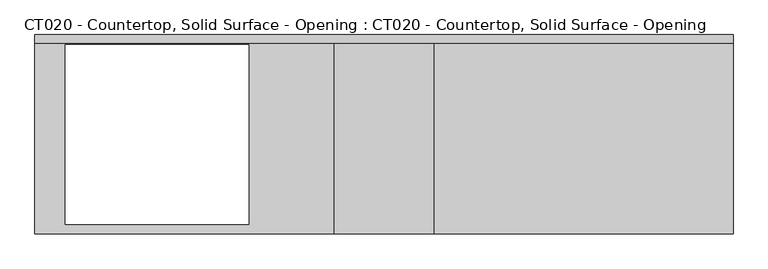
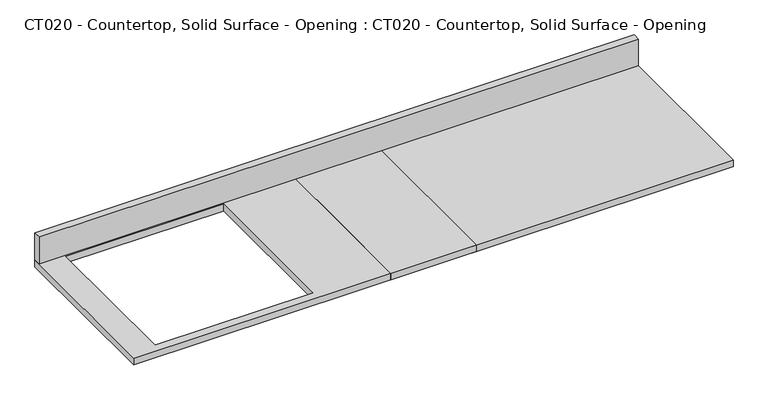
"""IFC4 building model written with IfcOpenShell, lengths in millimetres: proxy geometry, CT020 - Countertop, Solid Surface - Opening : CT020 - Countertop, Solid Surface - Opening."""

from ifc_helpers import new_model, si_unit, frame, origin, origin_with_axes, place, context, project, spatial, polyline, outline, extrude, source, transform, mapped, element, save


def ct020_countertop_solid_surface_opening_ct020_countertop_ae37859a(model_context):
    return source(origin(), model_context, "Body", "SweptSolid", [
        extrude(outline(polyline([(-152.4, 304.8), (152.4, 304.8), (152.4, -304.8), (-152.4, -304.8), (-152.4, 0.0), (-152.4, 304.8)])), origin_with_axes(), (0.0, 0.0, 1.0), 25.4),
        extrude(outline(polyline([(1066.8, 304.8), (1066.8, -304.8), (-1066.8, -304.8), (-1066.8, 304.8), (1066.8, 304.8)]), holes=[polyline([(-412.75, 274.6399688), (-973.9089659, 274.6399688), (-973.9089659, -275.6918839), (-412.75, -275.6918839), (-412.75, 274.6399688)])]), origin_with_axes(), (0.0, 0.0, 1.0), 25.4),
        extrude(outline(polyline([(-1066.8, 279.4), (-1066.8, 304.8), (1066.8, 304.8), (1066.8, 279.4), (-1066.8, 279.4)])), frame((0.0, 0.0, 25.4), z_axis=(0.0, 0.0, 1.0), x_axis=(1.0, 0.0, 0.0)), (0.0, 0.0, 1.0), 101.6),
    ])


if __name__ == "__main__":
    model = new_model("IFC4")
    model_context = context("Model", 3, world=origin())
    ifc_project = project(units=[si_unit("LENGTHUNIT", "METRE", prefix="MILLI")], contexts=[model_context])
    site = spatial("IfcSite", under=ifc_project)
    building = spatial("IfcBuilding", under=site)
    placement = place(None, origin())
    ct020_countertop_solid_surface_opening_ct020_countertop_shape = ct020_countertop_solid_surface_opening_ct020_countertop_ae37859a(model_context)
    element("IfcBuildingElementProxy", 1, Name="CT020 - Countertop, Solid Surface - Opening : CT020 - Countertop, Solid Surface - Opening", ObjectType="CT020 - Countertop, Solid Surface - Opening : CT020 - Countertop, Solid Surface - Opening", at=placement, inside=building, context=model_context, shape_type="MappedRepresentation", body=[
        mapped(ct020_countertop_solid_surface_opening_ct020_countertop_shape, transform((0.0, 0.0, 0.0), x_axis=(1.0, 0.0, 0.0), y_axis=(0.0, 1.0, 0.0), z_axis=(0.0, 0.0, 1.0))),
    ])
    save(model, "model.ifc")
